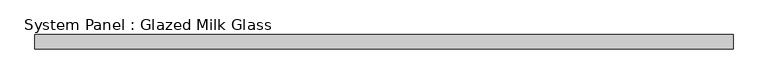
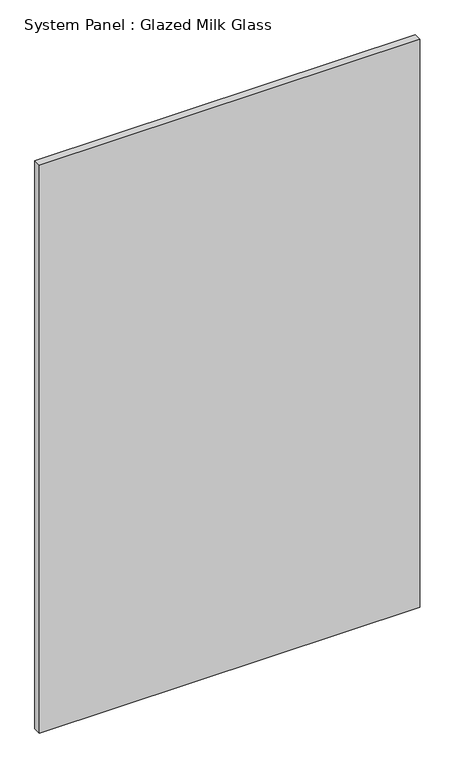
"""IFC4 building model written with IfcOpenShell, lengths in millimetres: plate geometry, System Panel : Glazed Milk Glass."""

from ifc_helpers import new_model, si_unit, origin, origin_with_axes, place, context, project, spatial, polyline, outline, extrude, source, transform, mapped, element, save


def system_panel_glazed_milk_glass_6548e870(model_context):
    return source(origin(), model_context, "Body", "SweptSolid", [
        extrude(outline(polyline([(610.0, -12.5), (-610.0, -12.5), (-610.0, 12.5), (610.0, 12.5), (610.0, -12.5)])), origin_with_axes(), (0.0, 0.0, 1.0), 1925.0),
    ])


if __name__ == "__main__":
    model = new_model("IFC4")
    model_context = context("Model", 3, world=origin())
    ifc_project = project(units=[si_unit("LENGTHUNIT", "METRE", prefix="MILLI")], contexts=[model_context])
    site = spatial("IfcSite", under=ifc_project)
    building = spatial("IfcBuilding", under=site)
    placement = place(None, origin())
    system_panel_glazed_milk_glass_shape = system_panel_glazed_milk_glass_6548e870(model_context)
    element("IfcPlate", 1, ObjectType="System Panel : Glazed Milk Glass", at=placement, inside=building, context=model_context, shape_type="MappedRepresentation", body=[
        mapped(system_panel_glazed_milk_glass_shape, transform((0.0, 0.0, 0.0), x_axis=(1.0, 0.0, 0.0), y_axis=(0.0, 1.0, 0.0), z_axis=(0.0, 0.0, 1.0))),
    ])
    save(model, "model.ifc")
